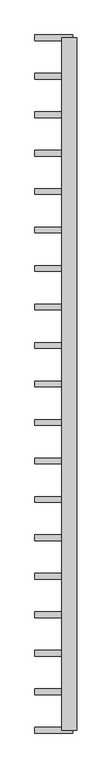
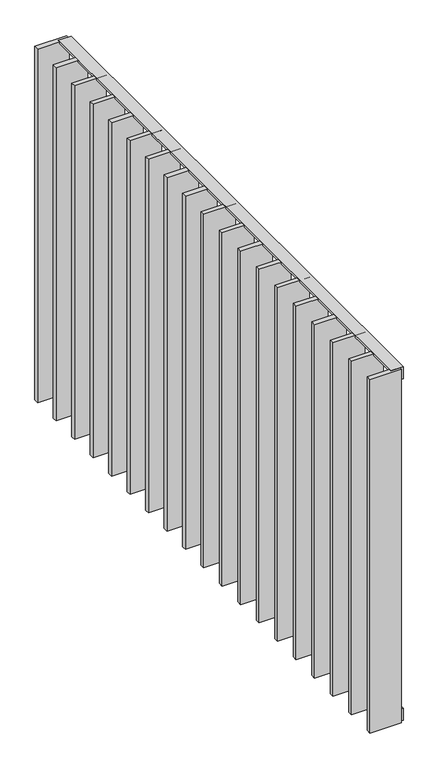
"""IFC4 building model written with IfcOpenShell, lengths in millimetres: railing geometry."""

from ifc_helpers import new_model, si_unit, frame, origin, place, context, project, spatial, polyline, outline, extrude, source, transform, mapped, element, save


def railing_53604486(model_context):
    return source(origin(), model_context, "Body", "SweptSolid", [
        extrude(outline(polyline([(6.0, -14.0), (40.0, -14.0), (40.0, -20.0), (0.0, -20.0), (0.0, 20.0), (6.0, 20.0), (6.0, -14.0)])), frame((4559.5112278, 23170.9194272, 8000.0), z_axis=(-2.5444402628816325e-12, 1.0, 0.0), x_axis=(0.0, 0.0, -1.0)), (0.0, 0.0, 1.0), 1820.0),
        extrude(outline(polyline([(-6.0, -14.0), (-6.0, 20.0), (0.0, 20.0), (0.0, -20.0), (-40.0, -20.0), (-40.0, -14.0), (-6.0, -14.0)])), frame((4559.5112278, 23170.9194272, 6820.0), z_axis=(-2.5444402628816325e-12, 1.0, 0.0), x_axis=(0.0, 0.0, -1.0)), (0.0, 0.0, 1.0), 1820.0),
        extrude(outline(polyline([(4569.5112278, 23279.5305383), (4569.5112278, 23264.5305383), (4469.5112278, 23264.5305383), (4469.5112278, 23279.5305383), (4569.5112278, 23279.5305383)])), frame((0.0, 0.0, 6819.9), z_axis=(0.0, 0.0, 1.0), x_axis=(1.0, 0.0, 0.0)), (0.0, 0.0, 1.0), 1180.2),
        extrude(outline(polyline([(4569.5112278, 23380.6416494), (4569.5112278, 23365.6416494), (4469.5112278, 23365.6416494), (4469.5112278, 23380.6416494), (4569.5112278, 23380.6416494)])), frame((0.0, 0.0, 6819.9), z_axis=(0.0, 0.0, 1.0), x_axis=(1.0, 0.0, 0.0)), (0.0, 0.0, 1.0), 1180.2),
        extrude(outline(polyline([(4569.5112278, 23481.7527605), (4569.5112278, 23466.7527605), (4469.5112278, 23466.7527605), (4469.5112278, 23481.7527605), (4569.5112278, 23481.7527605)])), frame((0.0, 0.0, 6819.9), z_axis=(0.0, 0.0, 1.0), x_axis=(1.0, 0.0, 0.0)), (0.0, 0.0, 1.0), 1180.2),
        extrude(outline(polyline([(4569.5112278, 23582.8638716), (4569.5112278, 23567.8638716), (4469.5112278, 23567.8638716), (4469.5112278, 23582.8638716), (4569.5112278, 23582.8638716)])), frame((0.0, 0.0, 6819.9), z_axis=(0.0, 0.0, 1.0), x_axis=(1.0, 0.0, 0.0)), (0.0, 0.0, 1.0), 1180.2),
        extrude(outline(polyline([(4569.5112278, 23683.9749827), (4569.5112278, 23668.9749827), (4469.5112278, 23668.9749827), (4469.5112278, 23683.9749827), (4569.5112278, 23683.9749827)])), frame((0.0, 0.0, 6819.9), z_axis=(0.0, 0.0, 1.0), x_axis=(1.0, 0.0, 0.0)), (0.0, 0.0, 1.0), 1180.2),
        extrude(outline(polyline([(4569.5112278, 23785.0860938), (4569.5112278, 23770.0860938), (4469.5112278, 23770.0860938), (4469.5112278, 23785.0860938), (4569.5112278, 23785.0860938)])), frame((0.0, 0.0, 6819.9), z_axis=(0.0, 0.0, 1.0), x_axis=(1.0, 0.0, 0.0)), (0.0, 0.0, 1.0), 1180.2),
        extrude(outline(polyline([(4569.5112278, 23886.1972049), (4569.5112278, 23871.1972049), (4469.5112278, 23871.1972049), (4469.5112278, 23886.1972049), (4569.5112278, 23886.1972049)])), frame((0.0, 0.0, 6819.9), z_axis=(0.0, 0.0, 1.0), x_axis=(1.0, 0.0, 0.0)), (0.0, 0.0, 1.0), 1180.2),
        extrude(outline(polyline([(4569.5112278, 23987.308316), (4569.5112278, 23972.308316), (4469.5112278, 23972.308316), (4469.5112278, 23987.308316), (4569.5112278, 23987.308316)])), frame((0.0, 0.0, 6819.9), z_axis=(0.0, 0.0, 1.0), x_axis=(1.0, 0.0, 0.0)), (0.0, 0.0, 1.0), 1180.2),
        extrude(outline(polyline([(4569.5112278, 24088.4194272), (4569.5112278, 24073.4194272), (4469.5112278, 24073.4194272), (4469.5112278, 24088.4194272), (4569.5112278, 24088.4194272)])), frame((0.0, 0.0, 6819.9), z_axis=(0.0, 0.0, 1.0), x_axis=(1.0, 0.0, 0.0)), (0.0, 0.0, 1.0), 1180.2),
        extrude(outline(polyline([(4569.5112278, 24189.5305383), (4569.5112278, 24174.5305383), (4469.5112278, 24174.5305383), (4469.5112278, 24189.5305383), (4569.5112278, 24189.5305383)])), frame((0.0, 0.0, 6819.9), z_axis=(0.0, 0.0, 1.0), x_axis=(1.0, 0.0, 0.0)), (0.0, 0.0, 1.0), 1180.2),
        extrude(outline(polyline([(4569.5112278, 24290.6416494), (4569.5112278, 24275.6416494), (4469.5112278, 24275.6416494), (4469.5112278, 24290.6416494), (4569.5112278, 24290.6416494)])), frame((0.0, 0.0, 6819.9), z_axis=(0.0, 0.0, 1.0), x_axis=(1.0, 0.0, 0.0)), (0.0, 0.0, 1.0), 1180.2),
        extrude(outline(polyline([(4569.5112278, 24391.7527605), (4569.5112278, 24376.7527605), (4469.5112278, 24376.7527605), (4469.5112278, 24391.7527605), (4569.5112278, 24391.7527605)])), frame((0.0, 0.0, 6819.9), z_axis=(0.0, 0.0, 1.0), x_axis=(1.0, 0.0, 0.0)), (0.0, 0.0, 1.0), 1180.2),
        extrude(outline(polyline([(4569.5112278, 24492.8638716), (4569.5112278, 24477.8638716), (4469.5112278, 24477.8638716), (4469.5112278, 24492.8638716), (4569.5112278, 24492.8638716)])), frame((0.0, 0.0, 6819.9), z_axis=(0.0, 0.0, 1.0), x_axis=(1.0, 0.0, 0.0)), (0.0, 0.0, 1.0), 1180.2),
        extrude(outline(polyline([(4569.5112278, 24593.9749827), (4569.5112278, 24578.9749827), (4469.5112278, 24578.9749827), (4469.5112278, 24593.9749827), (4569.5112278, 24593.9749827)])), frame((0.0, 0.0, 6819.9), z_axis=(0.0, 0.0, 1.0), x_axis=(1.0, 0.0, 0.0)), (0.0, 0.0, 1.0), 1180.2),
        extrude(outline(polyline([(4569.5112278, 24695.0860938), (4569.5112278, 24680.0860938), (4469.5112278, 24680.0860938), (4469.5112278, 24695.0860938), (4569.5112278, 24695.0860938)])), frame((0.0, 0.0, 6819.9), z_axis=(0.0, 0.0, 1.0), x_axis=(1.0, 0.0, 0.0)), (0.0, 0.0, 1.0), 1180.2),
        extrude(outline(polyline([(4569.5112278, 24796.1972049), (4569.5112278, 24781.1972049), (4469.5112278, 24781.1972049), (4469.5112278, 24796.1972049), (4569.5112278, 24796.1972049)])), frame((0.0, 0.0, 6819.9), z_axis=(0.0, 0.0, 1.0), x_axis=(1.0, 0.0, 0.0)), (0.0, 0.0, 1.0), 1180.2),
        extrude(outline(polyline([(4569.5112278, 24897.308316), (4569.5112278, 24882.308316), (4469.5112278, 24882.308316), (4469.5112278, 24897.308316), (4569.5112278, 24897.308316)])), frame((0.0, 0.0, 6819.9), z_axis=(0.0, 0.0, 1.0), x_axis=(1.0, 0.0, 0.0)), (0.0, 0.0, 1.0), 1180.2),
        extrude(outline(polyline([(4569.5112278, 23178.4194272), (4569.5112278, 23163.4194272), (4469.5112278, 23163.4194272), (4469.5112278, 23178.4194272), (4569.5112278, 23178.4194272)])), frame((0.0, 0.0, 6819.9), z_axis=(0.0, 0.0, 1.0), x_axis=(1.0, 0.0, 0.0)), (0.0, 0.0, 1.0), 1180.2),
        extrude(outline(polyline([(4569.5112278, 24998.4194272), (4569.5112278, 24983.4194272), (4469.5112278, 24983.4194272), (4469.5112278, 24998.4194272), (4569.5112278, 24998.4194272)])), frame((0.0, 0.0, 6819.9), z_axis=(0.0, 0.0, 1.0), x_axis=(1.0, 0.0, 0.0)), (0.0, 0.0, 1.0), 1180.2),
    ])


if __name__ == "__main__":
    model = new_model("IFC4")
    model_context = context("Model", 3, world=origin())
    ifc_project = project(units=[si_unit("LENGTHUNIT", "METRE", prefix="MILLI")], contexts=[model_context])
    site = spatial("IfcSite", under=ifc_project)
    building = spatial("IfcBuilding", under=site)
    placement = place(None, origin())
    railing_shape = railing_53604486(model_context)
    element("IfcRailing", 1, at=placement, inside=building, context=model_context, shape_type="MappedRepresentation", body=[
        mapped(railing_shape, transform((0.0, 0.0, 0.0), x_axis=(1.0, 0.0, 0.0), y_axis=(0.0, 1.0, 0.0), z_axis=(0.0, 0.0, 1.0))),
    ])
    save(model, "model.ifc")
